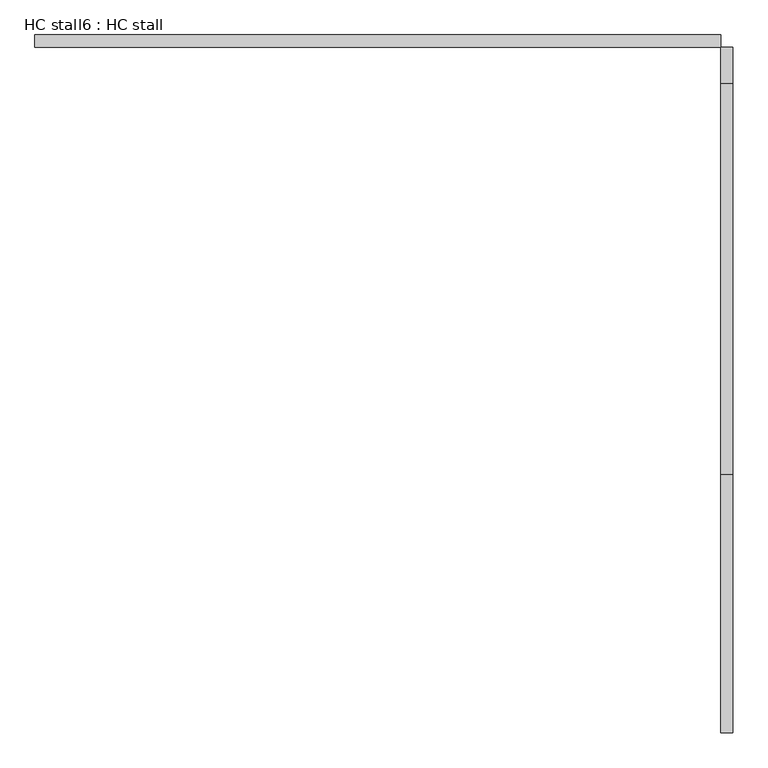
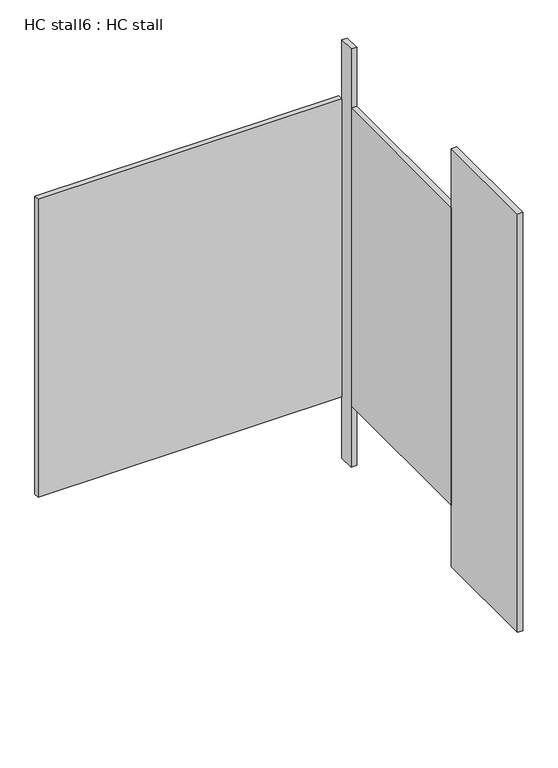
"""IFC4 building model written with IfcOpenShell, lengths in millimetres: proxy geometry, HC stall6 : HC stall."""

from ifc_helpers import new_model, si_unit, frame, origin, origin_with_axes, place, context, project, spatial, polyline, outline, extrude, source, transform, mapped, element, save


def hc_stall6_hc_stall_3d841d34(model_context):
    return source(origin(), model_context, "Body", "SweptSolid", [
        extrude(outline(polyline([(456785.4504676, -274951.0113632), (458207.8504676, -274951.0113632), (458207.8504676, -274976.4113632), (456785.4504676, -274976.4113632), (456785.4504676, -274951.0113632)])), frame((0.0, 0.0, 304.8), z_axis=(0.0, 0.0, 1.0), x_axis=(1.0, 0.0, 0.0)), (0.0, 0.0, 1.0), 1473.2),
        extrude(outline(polyline([(458207.8504676, -275863.8238632), (458233.2504676, -275863.8238632), (458233.2504676, -276398.8113632), (458207.8504676, -276398.8113632), (458207.8504676, -275863.8238632)])), origin_with_axes(), (0.0, 0.0, 1.0), 2070.1),
        extrude(outline(polyline([(458207.8504676, -274976.4113632), (458233.2504676, -274976.4113632), (458233.2504676, -275051.0238632), (458207.8504676, -275051.0238632), (458207.8504676, -274976.4113632)])), origin_with_axes(), (0.0, 0.0, 1.0), 2070.1),
        extrude(outline(polyline([(458207.8504676, -275051.0238632), (458233.2504676, -275051.0238632), (458233.2504676, -275863.8238632), (458207.8504676, -275863.8238632), (458207.8504676, -275051.0238632)])), frame((0.0, 0.0, 304.8), z_axis=(0.0, 0.0, 1.0), x_axis=(1.0, 0.0, 0.0)), (0.0, 0.0, 1.0), 1473.2),
    ])


if __name__ == "__main__":
    model = new_model("IFC4")
    model_context = context("Model", 3, world=origin())
    ifc_project = project(units=[si_unit("LENGTHUNIT", "METRE", prefix="MILLI")], contexts=[model_context])
    site = spatial("IfcSite", under=ifc_project)
    building = spatial("IfcBuilding", under=site)
    placement = place(None, origin())
    hc_stall6_hc_stall_shape = hc_stall6_hc_stall_3d841d34(model_context)
    element("IfcBuildingElementProxy", 1, Name="HC stall6 : HC stall", ObjectType="HC stall6 : HC stall", at=placement, inside=building, context=model_context, shape_type="MappedRepresentation", body=[
        mapped(hc_stall6_hc_stall_shape, transform((0.0, 0.0, 0.0), x_axis=(1.0, 0.0, 0.0), y_axis=(0.0, 1.0, 0.0), z_axis=(0.0, 0.0, 1.0))),
    ])
    save(model, "model.ifc")
